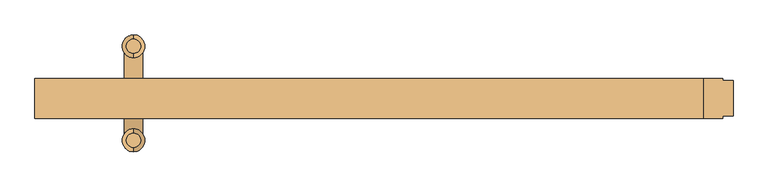
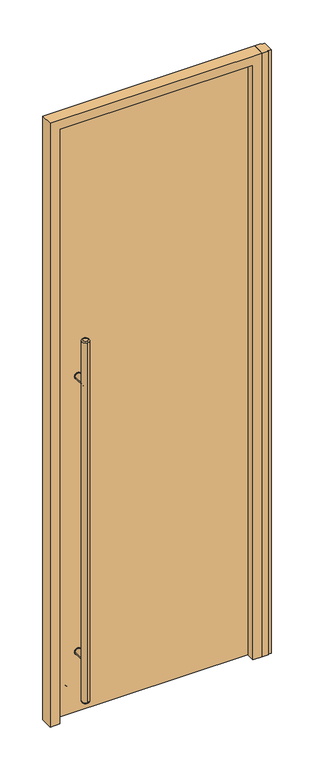
"""IFC4 building model written with IfcOpenShell, lengths in millimetres: door geometry."""

import ifcopenshell
import ifcopenshell.guid

model = None  # the IFC model being written
_history = None  # IfcOwnerHistory: only IFC2X3 demands one
_inside = {}  # id of a spatial element -> (the spatial element, [elements in it])
_under = {}  # id of a project, library or spatial element -> (it, [spatial elements below it])
_declared = {}  # id of a project -> (the project, [libraries it declares])
_typed = {}  # id of a type object -> (the type object, [elements of that type])
_made_of = {}  # id of a material, layer set ... -> (it, [elements and type objects made of it])


def new_model(schema):
    """Start an empty IFC model of exactly this schema.

    Asked for "IFC4X3", IfcOpenShell would pick the latest addendum, in which some entities
    have other attributes; the version numbers below select the first issue.
    IFC2X3 requires an IfcOwnerHistory on every rooted entity: one is made here for all.
    """
    global model, _history
    if schema == "IFC4X3":
        model = ifcopenshell.file(schema_version=(4, 3, 0, 0))
    else:
        model = ifcopenshell.file(schema=schema)
    _inside.clear()
    _under.clear()
    _declared.clear()
    _typed.clear()
    _made_of.clear()
    _history = None
    if model.schema == "IFC2X3":
        org = make("IfcOrganization", Name="unknown")
        user = make(
            "IfcPersonAndOrganization",
            ThePerson=make("IfcPerson", FamilyName="unknown"),
            TheOrganization=org,
        )
        app = make(
            "IfcApplication",
            ApplicationDeveloper=org,
            Version="unknown",
            ApplicationFullName="unknown",
            ApplicationIdentifier="unknown",
        )
        _history = make(
            "IfcOwnerHistory",
            OwningUser=user,
            OwningApplication=app,
            ChangeAction="ADDED",
            CreationDate=0,
        )
    return model


def make(cls, **values):
    """One entity of the class cls with the attributes given. An attribute that is None is left unset."""
    return model.create_entity(
        cls, **{name: value for name, value in values.items() if value is not None}
    )


def rooted(cls, **values):
    """An entity with a GlobalId (a new one), such as an element, a storey or a relation."""
    return make(cls, GlobalId=ifcopenshell.guid.new(), OwnerHistory=_history, **values)


def si_unit(unit_type, name, prefix=None):
    """IfcSIUnit, for example si_unit("LENGTHUNIT", "METRE", prefix="MILLI")."""
    return make("IfcSIUnit", UnitType=unit_type, Prefix=prefix, Name=name)


def assignment(units):
    """IfcUnitAssignment: the units of a project."""
    return None if units is None else make("IfcUnitAssignment", Units=units)


def point(xyz):
    """IfcCartesianPoint."""
    return None if xyz is None else make("IfcCartesianPoint", Coordinates=xyz)


def direction(xyz):
    """IfcDirection."""
    return None if xyz is None else make("IfcDirection", DirectionRatios=xyz)


def frame(location, z_axis=None, x_axis=None):
    """IfcAxis2Placement3D, a coordinate frame: its origin and axes. An axis left out is left unset."""
    return make(
        "IfcAxis2Placement3D",
        Location=point(location),
        Axis=direction(z_axis),
        RefDirection=direction(x_axis),
    )


def frame_2d(location, x_axis=None):
    """IfcAxis2Placement2D, a coordinate frame in the plane: its origin and x axis."""
    return make(
        "IfcAxis2Placement2D", Location=point(location), RefDirection=direction(x_axis)
    )


def origin():
    """The frame at (0, 0, 0) with its axes left unset."""
    return frame((0.0, 0.0, 0.0))


def origin_with_axes():
    """The frame at (0, 0, 0) with the z axis (0, 0, 1) and the x axis (1, 0, 0) written out."""
    return frame((0.0, 0.0, 0.0), z_axis=(0.0, 0.0, 1.0), x_axis=(1.0, 0.0, 0.0))


def place(relative_to, where):
    """IfcLocalPlacement: puts the frame where relative to a parent placement (None: the world)."""
    return make(
        "IfcLocalPlacement", PlacementRelTo=relative_to, RelativePlacement=where
    )


def context(
    kind, dimensions, precision=None, world=None, true_north=None, identifier=None
):
    """IfcGeometricRepresentationContext, for example the 3D "Model" context."""
    return make(
        "IfcGeometricRepresentationContext",
        ContextIdentifier=identifier,
        ContextType=kind,
        CoordinateSpaceDimension=dimensions,
        Precision=precision,
        WorldCoordinateSystem=world,
        TrueNorth=true_north,
    )


def project(units=None, contexts=None):
    """IfcProject with its units and contexts."""
    return rooted(
        "IfcProject",
        Name="project",
        RepresentationContexts=contexts,
        UnitsInContext=assignment(units),
    )


def spatial(cls, under=None, at=None, **own):
    """A site, building, storey or space (cls), placed at a placement, below another one or the project."""
    s = rooted(cls, ObjectPlacement=at, **own)
    if under is not None:
        _under.setdefault(under.id(), (under, []))[1].append(s)
    return s


def polyline(points):
    """IfcPolyline through the points."""
    return make("IfcPolyline", Points=[point(p) for p in points])


def circle_curve(where, radius):
    """IfcCircle in the frame where."""
    return make("IfcCircle", Position=where, Radius=radius)


def ellipse_curve(where, semi_axis1, semi_axis2):
    """IfcEllipse in the frame where."""
    return make(
        "IfcEllipse", Position=where, SemiAxis1=semi_axis1, SemiAxis2=semi_axis2
    )


def trimmed(basis, trim1, trim2, sense, master):
    """IfcTrimmedCurve: the piece of a basis curve between two trims."""
    return make(
        "IfcTrimmedCurve",
        BasisCurve=basis,
        Trim1=trim1,
        Trim2=trim2,
        SenseAgreement=sense,
        MasterRepresentation=master,
    )


def segment(curve, same_sense, transition):
    """IfcCompositeCurveSegment."""
    return make(
        "IfcCompositeCurveSegment",
        Transition=transition,
        SameSense=same_sense,
        ParentCurve=curve,
    )


def composite_curve(segments, self_intersect=None):
    """IfcCompositeCurve: segments joined end to end."""
    return make("IfcCompositeCurve", Segments=segments, SelfIntersect=self_intersect)


def outline(outer, holes=None, kind="AREA"):
    """IfcArbitraryClosedProfileDef: a profile drawn as a closed curve; with holes, ...WithVoids."""
    if holes is None:
        return make("IfcArbitraryClosedProfileDef", ProfileType=kind, OuterCurve=outer)
    return make(
        "IfcArbitraryProfileDefWithVoids",
        ProfileType=kind,
        OuterCurve=outer,
        InnerCurves=holes,
    )


def extrude(swept, where, along, depth):
    """IfcExtrudedAreaSolid: the profile swept, set in the frame where, extruded along a direction by depth."""
    return make(
        "IfcExtrudedAreaSolid",
        SweptArea=swept,
        Position=where,
        ExtrudedDirection=direction(along),
        Depth=depth,
    )


def faces_of(points, faces, orient=None, outer=None):
    """IfcFace entities. A face is a list of loops; a loop is a list of indices into points, from 0.

    orient and outer hold one flag for each loop. By default every Orientation is true, the
    first loop of a face is its IfcFaceOuterBound and the others are IfcFaceBound.
    """
    made = []
    for i, loops in enumerate(faces):
        bounds = []
        for j, loop in enumerate(loops):
            is_outer = j == 0 if outer is None else outer[i][j]
            bounds.append(
                make(
                    "IfcFaceOuterBound" if is_outer else "IfcFaceBound",
                    Bound=make("IfcPolyLoop", Polygon=[points[k] for k in loop]),
                    Orientation=True if orient is None else orient[i][j],
                )
            )
        made.append(make("IfcFace", Bounds=bounds))
    return made


def faceted_brep(points, faces, orient=None, outer=None, voids=None):
    """IfcFacetedBrep: a solid bounded by flat faces; with voids (closed shells), ...WithVoids."""
    shared = [point(p) for p in points]
    hull = make("IfcClosedShell", CfsFaces=faces_of(shared, faces, orient, outer))
    if voids is None:
        return make("IfcFacetedBrep", Outer=hull)
    return make(
        "IfcFacetedBrepWithVoids",
        Outer=hull,
        Voids=[
            make(cls, CfsFaces=faces_of(shared, fs, o, b)) for cls, fs, o, b in voids
        ],
    )


def shape(context_of_items, identifier, shape_type, items):
    """IfcShapeRepresentation: the items that make up one representation, for example the "Body"."""
    return make(
        "IfcShapeRepresentation",
        ContextOfItems=context_of_items,
        RepresentationIdentifier=identifier,
        RepresentationType=shape_type,
        Items=items,
    )


def source(mapping_origin, context_of_items, identifier, shape_type, items):
    """IfcRepresentationMap: a shape defined once, which mapped items show again and again."""
    return make(
        "IfcRepresentationMap",
        MappingOrigin=mapping_origin,
        MappedRepresentation=shape(context_of_items, identifier, shape_type, items),
    )


def transform(
    local_origin,
    x_axis=None,
    y_axis=None,
    z_axis=None,
    scale=None,
    scale2=None,
    scale3=None,
    uniform=True,
):
    """IfcCartesianTransformationOperator3D, or its non-uniform kind. x_axis, y_axis, z_axis: its Axis1, 2, 3."""
    if uniform:
        return make(
            "IfcCartesianTransformationOperator3D",
            Axis1=direction(x_axis),
            Axis2=direction(y_axis),
            LocalOrigin=point(local_origin),
            Scale=scale,
            Axis3=direction(z_axis),
        )
    return make(
        "IfcCartesianTransformationOperator3DnonUniform",
        Axis1=direction(x_axis),
        Axis2=direction(y_axis),
        LocalOrigin=point(local_origin),
        Scale=scale,
        Axis3=direction(z_axis),
        Scale2=scale2,
        Scale3=scale3,
    )


def mapped(mapping_source, mapping_target):
    """IfcMappedItem: shows the shape of a source again, moved by a transform."""
    return make(
        "IfcMappedItem", MappingSource=mapping_source, MappingTarget=mapping_target
    )


def made_of(thing, what):
    """Note that an element or type object is made of a material, layer set ...; save() writes the relation."""
    if what is not None:
        _made_of.setdefault(what.id(), (what, []))[1].append(thing)
    return thing


def element(
    cls,
    number,
    at=None,
    inside=None,
    cuts=None,
    type_object=None,
    material=None,
    context=None,
    identifier="Body",
    shape_type=None,
    held_by="IfcProductDefinitionShape",
    body=None,
    shapes=None,
    **own,
):
    """One element of the class cls, such as IfcWall. Its Tag is "e" and its number.

    at: its placement. inside: the storey or other place that contains it. cuts: it is an
    opening in that element (IfcRelVoidsElement). A single representation is given by context,
    identifier, shape_type and body (its items); several are given by shapes. held_by: the class
    of the entity that holds the representations. save() writes the other relations.
    """
    e = rooted(cls, Tag="e%d" % number, ObjectPlacement=at, **own)
    if body is not None:
        shapes = [shape(context, identifier, shape_type, body)]
    if shapes is not None:
        e.Representation = make(held_by, Representations=shapes)
    if inside is not None:
        _inside.setdefault(inside.id(), (inside, []))[1].append(e)
    if cuts is not None:
        rooted(
            "IfcRelVoidsElement", RelatingBuildingElement=cuts, RelatedOpeningElement=e
        )
    if type_object is not None:
        _typed.setdefault(type_object.id(), (type_object, []))[1].append(e)
    return made_of(e, material)


def aggregate(whole, parts):
    """IfcRelAggregates: a whole, such as a stair, and the parts it consists of."""
    return rooted("IfcRelAggregates", RelatingObject=whole, RelatedObjects=parts)


def save(model, path):
    """Write the relations noted so far, then the file.

    IfcRelAggregates (storeys below a building ...), IfcRelContainedInSpatialStructure (elements
    in a storey), IfcRelDefinesByType, IfcRelAssociatesMaterial and IfcRelDeclares: one each for
    every whole, place, type object, material and project.
    """
    for whole, parts in _under.values():
        aggregate(whole, parts)
    for where, things in _inside.values():
        rooted(
            "IfcRelContainedInSpatialStructure",
            RelatedElements=things,
            RelatingStructure=where,
        )
    for kind, things in _typed.values():
        rooted("IfcRelDefinesByType", RelatedObjects=things, RelatingType=kind)
    for what, things in _made_of.values():
        rooted("IfcRelAssociatesMaterial", RelatedObjects=things, RelatingMaterial=what)
    for by, libraries in _declared.values():
        rooted("IfcRelDeclares", RelatingContext=by, RelatedDefinitions=libraries)
    model.write(path)


def plane_surface(at):
    """IfcPlane: the flat surface through the origin of the frame at, square to its z axis."""
    return make("IfcPlane", Position=at)


def cylinder_surface(at, radius):
    """IfcCylindricalSurface: all points at the distance radius from the z axis of the frame at."""
    return make("IfcCylindricalSurface", Position=at, Radius=radius)


def revolved_surface(curve, axis_point, axis_direction):
    """IfcSurfaceOfRevolution: the curve turned about the line through axis_point along axis_direction."""
    return make(
        "IfcSurfaceOfRevolution",
        SweptCurve=make("IfcArbitraryOpenProfileDef", ProfileType="CURVE", Curve=curve),
        AxisPosition=make("IfcAxis1Placement", Location=point(axis_point), Axis=direction(axis_direction)),
    )


def advanced_brep(points, edges, surfaces, faces):
    """IfcAdvancedBrep: a solid bounded by faces that lie on surfaces and meet in shared edges.

    An edge is (start, end): straight between two places in points (the first is 0);
    or (start, end, curve); or (start, end, curve, False) where it runs against its curve.
    A face is (place in surfaces, loops), or (place, loops, False) where it looks against
    its surface's normal. A loop lists edges by number (the first is 1), with a minus sign
    where the edge is run from its end to its start. The first loop is the outer one.
    """
    corners = [point(p) for p in points]
    vertices = [make("IfcVertexPoint", VertexGeometry=c) for c in corners]
    made = []
    for start, end, *more in edges:
        made.append(
            make(
                "IfcEdgeCurve",
                EdgeStart=vertices[start],
                EdgeEnd=vertices[end],
                EdgeGeometry=more[0] if more else make("IfcPolyline", Points=[corners[start], corners[end]]),
                SameSense=more[1] if len(more) > 1 else True,
            )
        )
    hull = []
    for where, loops, *sense in faces:
        bounds = []
        for j, loop in enumerate(loops):
            ring = [make("IfcOrientedEdge", EdgeElement=made[abs(k) - 1], Orientation=k > 0) for k in loop]
            bounds.append(
                make(
                    "IfcFaceOuterBound" if j == 0 else "IfcFaceBound",
                    Bound=make("IfcEdgeLoop", EdgeList=ring),
                    Orientation=True,
                )
            )
        hull.append(make("IfcAdvancedFace", Bounds=bounds, FaceSurface=surfaces[where], SameSense=sense[0] if sense else True))
    return make("IfcAdvancedBrep", Outer=make("IfcClosedShell", CfsFaces=hull))


def door_942aa474(model_context):
    return source(origin(), model_context, "Body", "SolidModel", [
        extrude(outline(composite_curve([segment(trimmed(circle_curve(frame_2d((312.7375, -357.1875)), 15.875), [point((312.7375, -373.0625))], [point((312.7375, -341.3125))], False, "CARTESIAN"), True, "CONTINUOUS"), segment(trimmed(circle_curve(frame_2d((312.7375, -357.1875)), 15.875), [point((312.7375, -341.3125))], [point((312.7375, -373.0625))], False, "CARTESIAN"), True, "CONTINUOUS")], self_intersect=False)), frame((0.0, 14.2875, 0.0), z_axis=(0.0, 1.0, 0.0), x_axis=(0.0, 0.0, 1.0)), (0.0, 0.0, 1.0), 3.175),
        extrude(outline(composite_curve([segment(trimmed(circle_curve(frame_2d((1703.3875, -357.1875)), 15.875), [point((1703.3875, -341.3125))], [point((1703.3875, -373.0625))], False, "CARTESIAN"), True, "CONTINUOUS"), segment(trimmed(circle_curve(frame_2d((1703.3875, -357.1875)), 15.875), [point((1703.3875, -373.0625))], [point((1703.3875, -341.3125))], False, "CARTESIAN"), True, "CONTINUOUS")], self_intersect=False)), frame((0.0, 14.2875, 0.0), z_axis=(0.0, 1.0, 0.0), x_axis=(0.0, 0.0, 1.0)), (0.0, 0.0, 1.0), 3.175),
        extrude(outline(composite_curve([segment(trimmed(circle_curve(frame_2d((312.7375, -357.1875)), 15.875), [point((312.7375, -373.0625))], [point((312.7375, -341.3125))], False, "CARTESIAN"), True, "CONTINUOUS"), segment(trimmed(circle_curve(frame_2d((312.7375, -357.1875)), 15.875), [point((312.7375, -341.3125))], [point((312.7375, -373.0625))], False, "CARTESIAN"), True, "CONTINUOUS")], self_intersect=False)), frame((0.0, -1.5875, 0.0), z_axis=(0.0, 1.0, 0.0), x_axis=(0.0, 0.0, 1.0)), (0.0, 0.0, 1.0), 3.175),
        extrude(outline(composite_curve([segment(trimmed(circle_curve(frame_2d((1703.3875, -357.1875)), 15.875), [point((1703.3875, -373.0625))], [point((1703.3875, -341.3125))], False, "CARTESIAN"), True, "CONTINUOUS"), segment(trimmed(circle_curve(frame_2d((1703.3875, -357.1875)), 15.875), [point((1703.3875, -341.3125))], [point((1703.3875, -373.0625))], False, "CARTESIAN"), True, "CONTINUOUS")], self_intersect=False)), frame((0.0, -1.5875, 0.0), z_axis=(0.0, 1.0, 0.0), x_axis=(0.0, 0.0, 1.0)), (0.0, 0.0, 1.0), 3.175),
        extrude(outline(composite_curve([segment(trimmed(circle_curve(frame_2d((312.7375, -357.1875)), 14.2875), [point((312.7375, -342.9))], [point((312.7375, -371.475))], False, "CARTESIAN"), True, "CONTINUOUS"), segment(trimmed(circle_curve(frame_2d((312.7375, -357.1875)), 14.2875), [point((312.7375, -371.475))], [point((312.7375, -342.9))], False, "CARTESIAN"), True, "CONTINUOUS")], self_intersect=False)), frame((0.0, -63.5, 0.0), z_axis=(0.0, 1.0, 0.0), x_axis=(0.0, 0.0, 1.0)), (0.0, 0.0, 1.0), 65.0875),
        extrude(outline(composite_curve([segment(trimmed(circle_curve(frame_2d((1703.3875, -357.1875)), 14.2875), [point((1703.3875, -342.9))], [point((1703.3875, -371.475))], False, "CARTESIAN"), True, "CONTINUOUS"), segment(trimmed(circle_curve(frame_2d((1703.3875, -357.1875)), 14.2875), [point((1703.3875, -371.475))], [point((1703.3875, -342.9))], False, "CARTESIAN"), True, "CONTINUOUS")], self_intersect=False)), frame((0.0, -63.5, 0.0), z_axis=(0.0, 1.0, 0.0), x_axis=(0.0, 0.0, 1.0)), (0.0, 0.0, 1.0), 65.0875),
        advanced_brep(
        [(-357.1875, 68.58, 1924.05), (-357.1875, 90.17, 1924.05), (-357.1875, 90.17, 95.25), (-357.1875, 68.58, 95.25), (-357.1875, 96.52, 101.6), (-357.1875, 96.52, 1917.7), (-357.1875, 62.23, 1917.7), (-357.1875, 62.23, 101.6)],
        [
            (0, 1, circle_curve(frame((-357.1875, 79.375, 1924.05), z_axis=(0.0, 0.0, 1.0), x_axis=(0.0, -1.0, 0.0)), 10.795)),
            (1, 0, circle_curve(frame((-357.1875, 79.375, 1924.05), z_axis=(0.0, 0.0, 1.0), x_axis=(0.0, -1.0, 0.0)), 10.795)),
            (2, 3, circle_curve(frame((-357.1875, 79.375, 95.25), z_axis=(0.0, 0.0, -1.0), x_axis=(0.0, -1.0, 0.0)), 10.795)),
            (3, 2, circle_curve(frame((-357.1875, 79.375, 95.25), z_axis=(0.0, 0.0, -1.0), x_axis=(0.0, -1.0, 0.0)), 10.795)),
            (4, 5),
            (5, 6, circle_curve(frame((-357.1875, 79.375, 1917.7), z_axis=(0.0, 0.0, -1.0), x_axis=(0.0, -1.0, 0.0)), 17.145)),
            (6, 7),
            (7, 4, circle_curve(frame((-357.1875, 79.375, 101.6), z_axis=(0.0, 0.0, 1.0), x_axis=(0.0, -1.0, 0.0)), 17.145)),
            (6, 5, circle_curve(frame((-357.1875, 79.375, 1917.7), z_axis=(0.0, 0.0, -1.0), x_axis=(0.0, -1.0, 0.0)), 17.145)),
            (4, 7, circle_curve(frame((-357.1875, 79.375, 101.6), z_axis=(0.0, 0.0, 1.0), x_axis=(0.0, -1.0, 0.0)), 17.145)),
            (3, 7, circle_curve(frame((-357.1875, 68.58, 101.6), z_axis=(-1.0, 0.0, 0.0), x_axis=(0.0, -1.0, 0.0)), 6.35)),
            (4, 2, circle_curve(frame((-357.1875, 90.17, 101.6), z_axis=(-1.0, 0.0, 0.0), x_axis=(0.0, 1.0, 0.0)), 6.35)),
            (6, 0, circle_curve(frame((-357.1875, 68.58, 1917.7), z_axis=(-1.0, 0.0, 0.0), x_axis=(0.0, -1.0, 0.0)), 6.35)),
            (1, 5, circle_curve(frame((-357.1875, 90.17, 1917.7), z_axis=(-1.0, 0.0, 0.0), x_axis=(0.0, 1.0, 0.0)), 6.35)),
        ],
        [
            plane_surface(frame((-357.1875, -80.645, 1924.05), z_axis=(0.0, 0.0, 1.0), x_axis=(-1.0, 0.0, 0.0))),
            plane_surface(frame((-357.1875, -80.645, 95.25), z_axis=(0.0, 0.0, -1.0), x_axis=(1.0, 0.0, 0.0))),
            cylinder_surface(frame((-357.1875, 79.375, 95.25), z_axis=(0.0, 0.0, 1.0), x_axis=(0.0, -1.0, 0.0)), 17.145),
            revolved_surface(trimmed(ellipse_curve(frame((-357.1875, 68.58, 101.6), z_axis=(-1.0, 0.0, 0.0), x_axis=(0.0, -1.0, 0.0)), 6.35, 6.35), [point((-357.1875, 68.58, 95.25))], [point((-357.1875, 62.23, 101.6))], True, "CARTESIAN"), (-357.1875, 79.375, 2533.65), (0.0, 0.0, 1.0)),
            revolved_surface(trimmed(ellipse_curve(frame((-357.1875, 68.58, 1917.7), z_axis=(-1.0, 0.0, 0.0), x_axis=(0.0, -1.0, 0.0)), 6.35, 6.35), [point((-357.1875, 62.23, 1917.7))], [point((-357.1875, 68.58, 1924.05))], True, "CARTESIAN"), (-357.1875, 79.375, -514.35), (0.0, 0.0, 1.0)),
        ],
        [
            (0, [[1, 2]]),
            (1, [[3, 4]]),
            (2, [[5, 6, 7, 8]]),
            (2, [[-7, 9, -5, 10]]),
            (3, [[-4, 11, -10, 12]]),
            (3, [[-8, -11, -3, -12]]),
            (4, [[-9, 13, -2, 14]]),
            (4, [[-1, -13, -6, -14]]),
        ],
    ),
        advanced_brep(
        [(-357.1875, -74.295, 1924.05), (-357.1875, -52.705, 1924.05), (-357.1875, -52.705, 95.25), (-357.1875, -74.295, 95.25), (-357.1875, -46.355, 101.6), (-357.1875, -46.355, 1917.7), (-357.1875, -80.645, 1917.7), (-357.1875, -80.645, 101.6)],
        [
            (0, 1, circle_curve(frame((-357.1875, -63.5, 1924.05), z_axis=(0.0, 0.0, 1.0), x_axis=(0.0, 1.0, 0.0)), 10.795)),
            (1, 0, circle_curve(frame((-357.1875, -63.5, 1924.05), z_axis=(0.0, 0.0, 1.0), x_axis=(0.0, 1.0, 0.0)), 10.795)),
            (2, 3, circle_curve(frame((-357.1875, -63.5, 95.25), z_axis=(0.0, 0.0, -1.0), x_axis=(0.0, 1.0, 0.0)), 10.795)),
            (3, 2, circle_curve(frame((-357.1875, -63.5, 95.25), z_axis=(0.0, 0.0, -1.0), x_axis=(0.0, 1.0, 0.0)), 10.795)),
            (4, 5),
            (5, 6, circle_curve(frame((-357.1875, -63.5, 1917.7), z_axis=(0.0, 0.0, -1.0), x_axis=(0.0, -1.0, 0.0)), 17.145)),
            (6, 7),
            (7, 4, circle_curve(frame((-357.1875, -63.5, 101.6), z_axis=(0.0, 0.0, 1.0), x_axis=(0.0, -1.0, 0.0)), 17.145)),
            (6, 5, circle_curve(frame((-357.1875, -63.5, 1917.7), z_axis=(0.0, 0.0, -1.0), x_axis=(0.0, -1.0, 0.0)), 17.145)),
            (4, 7, circle_curve(frame((-357.1875, -63.5, 101.6), z_axis=(0.0, 0.0, 1.0), x_axis=(0.0, -1.0, 0.0)), 17.145)),
            (4, 2, circle_curve(frame((-357.1875, -52.705, 101.6), z_axis=(-1.0, 0.0, 0.0), x_axis=(0.0, 1.0, 0.0)), 6.35)),
            (3, 7, circle_curve(frame((-357.1875, -74.295, 101.6), z_axis=(-1.0, 0.0, 0.0), x_axis=(0.0, -1.0, 0.0)), 6.35)),
            (1, 5, circle_curve(frame((-357.1875, -52.705, 1917.7), z_axis=(-1.0, 0.0, 0.0), x_axis=(0.0, 1.0, 0.0)), 6.35)),
            (6, 0, circle_curve(frame((-357.1875, -74.295, 1917.7), z_axis=(-1.0, 0.0, 0.0), x_axis=(0.0, -1.0, 0.0)), 6.35)),
        ],
        [
            plane_surface(frame((-357.1875, -80.645, 1924.05), z_axis=(0.0, 0.0, 1.0), x_axis=(-1.0, 0.0, 0.0))),
            plane_surface(frame((-357.1875, -80.645, 95.25), z_axis=(0.0, 0.0, -1.0), x_axis=(1.0, 0.0, 0.0))),
            cylinder_surface(frame((-357.1875, -63.5, 95.25), z_axis=(0.0, 0.0, 1.0), x_axis=(0.0, -1.0, 0.0)), 17.145),
            revolved_surface(trimmed(ellipse_curve(frame((-357.1875, -52.705, 101.6), z_axis=(-1.0, 0.0, 0.0), x_axis=(0.0, 1.0, 0.0)), 6.35, 6.35), [point((-357.1875, -46.355, 101.6))], [point((-357.1875, -52.705, 95.25))], True, "CARTESIAN"), (-357.1875, -63.5, 2533.65), (0.0, 0.0, -1.0)),
            revolved_surface(trimmed(ellipse_curve(frame((-357.1875, -52.705, 1917.7), z_axis=(-1.0, 0.0, 0.0), x_axis=(0.0, 1.0, 0.0)), 6.35, 6.35), [point((-357.1875, -52.705, 1924.05))], [point((-357.1875, -46.355, 1917.7))], True, "CARTESIAN"), (-357.1875, -63.5, -514.35), (0.0, 0.0, -1.0)),
        ],
        [
            (0, [[1, 2]]),
            (1, [[3, 4]]),
            (2, [[5, 6, 7, 8]]),
            (2, [[-7, 9, -5, 10]]),
            (3, [[-10, 11, -4, 12]]),
            (3, [[-3, -11, -8, -12]]),
            (4, [[-2, 13, -9, 14]]),
            (4, [[-6, -13, -1, -14]]),
        ],
    ),
        extrude(outline(composite_curve([segment(trimmed(circle_curve(frame_2d((312.7375, -357.1875)), 14.2875), [point((312.7375, -342.9))], [point((312.7375, -371.475))], False, "CARTESIAN"), True, "CONTINUOUS"), segment(trimmed(circle_curve(frame_2d((312.7375, -357.1875)), 14.2875), [point((312.7375, -371.475))], [point((312.7375, -342.9))], False, "CARTESIAN"), True, "CONTINUOUS")], self_intersect=False)), frame((0.0, 14.2875, 0.0), z_axis=(0.0, 1.0, 0.0), x_axis=(0.0, 0.0, 1.0)), (0.0, 0.0, 1.0), 65.0875),
        extrude(outline(composite_curve([segment(trimmed(circle_curve(frame_2d((1703.3875, -357.1875)), 14.2875), [point((1703.3875, -342.9))], [point((1703.3875, -371.475))], False, "CARTESIAN"), True, "CONTINUOUS"), segment(trimmed(circle_curve(frame_2d((1703.3875, -357.1875)), 14.2875), [point((1703.3875, -371.475))], [point((1703.3875, -342.9))], False, "CARTESIAN"), True, "CONTINUOUS")], self_intersect=False)), frame((0.0, 14.2875, 0.0), z_axis=(0.0, 1.0, 0.0), x_axis=(0.0, 0.0, 1.0)), (0.0, 0.0, 1.0), 65.0875),
        extrude(outline(polyline([(506.4125, -30.1625), (506.4125, 30.1625), (534.9875, 30.1625), (534.9875, 26.9875), (550.8625, 26.9875), (550.8625, -26.9875), (534.9875, -26.9875), (534.9875, -30.1625), (506.4125, -30.1625)])), origin_with_axes(), (0.0, 0.0, 1.0), 3048.0),
        faceted_brep([(-506.4125, 30.1625, 0.0), (-449.2625, 30.1625, 0.0), (-449.2625, 20.6375, 0.0), (-461.9625, 20.6375, 0.0), (-461.9625, -30.1625, 0.0), (-506.4125, -30.1625, 0.0), (-506.4125, -30.1625, 3048.0), (-506.4125, 30.1625, 3048.0), (-461.9625, -30.1625, 3003.55), (461.9625, -30.1625, 3003.55), (461.9625, -30.1625, 0.0), (506.4125, -30.1625, 0.0), (506.4125, -30.1625, 3048.0), (-461.9625, 20.6375, 3003.55), (-449.2625, 20.6375, 2990.85), (449.2625, 20.6375, 2990.85), (449.2625, 20.6375, 0.0), (461.9625, 20.6375, 0.0), (461.9625, 20.6375, 3003.55), (-449.2625, 30.1625, 2990.85), (506.4125, 30.1625, 3048.0), (506.4125, 30.1625, 0.0), (449.2625, 30.1625, 0.0), (449.2625, 30.1625, 2990.85)], [[[0, 1, 2, 3, 4, 5]], [[5, 6, 7, 0]], [[4, 8, 9, 10, 11, 12, 6, 5]], [[3, 13, 8, 4]], [[2, 14, 15, 16, 17, 18, 13, 3]], [[1, 19, 14, 2]], [[0, 7, 20, 21, 22, 23, 19, 1]], [[21, 11, 10, 17, 16, 22]], [[23, 22, 16, 15]], [[18, 17, 10, 9]], [[12, 11, 21, 20]], [[6, 12, 20, 7]], [[13, 18, 9, 8]], [[19, 23, 15, 14]]]),
        extrude(outline(polyline([(455.6125, 14.2875), (455.6125, 1.5875), (-455.6125, 1.5875), (-455.6125, 14.2875), (455.6125, 14.2875)])), frame((0.0, 0.0, 9.525), z_axis=(0.0, 0.0, 1.0), x_axis=(1.0, 0.0, 0.0)), (0.0, 0.0, 1.0), 2987.675),
    ])


if __name__ == "__main__":
    model = new_model("IFC4")
    model_context = context("Model", 3, world=origin())
    ifc_project = project(units=[si_unit("LENGTHUNIT", "METRE", prefix="MILLI")], contexts=[model_context])
    site = spatial("IfcSite", under=ifc_project)
    building = spatial("IfcBuilding", under=site)
    placement = place(None, origin())
    door_shape = door_942aa474(model_context)
    element("IfcDoor", 1, at=placement, inside=building, context=model_context, shape_type="MappedRepresentation", body=[
        mapped(door_shape, transform((0.0, 0.0, 0.0), x_axis=(1.0, 0.0, 0.0), y_axis=(0.0, 1.0, 0.0), z_axis=(0.0, 0.0, 1.0))),
    ])
    save(model, "model.ifc")
